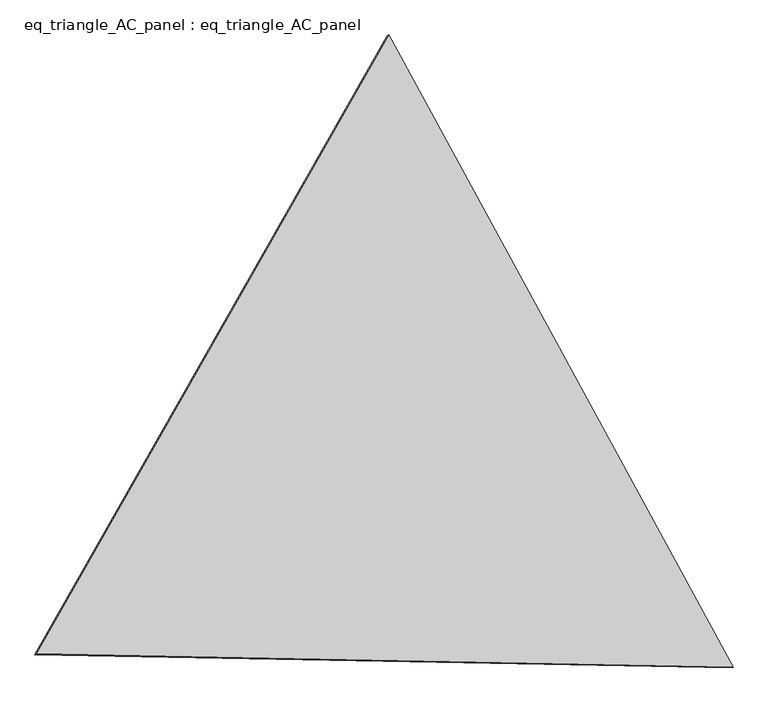
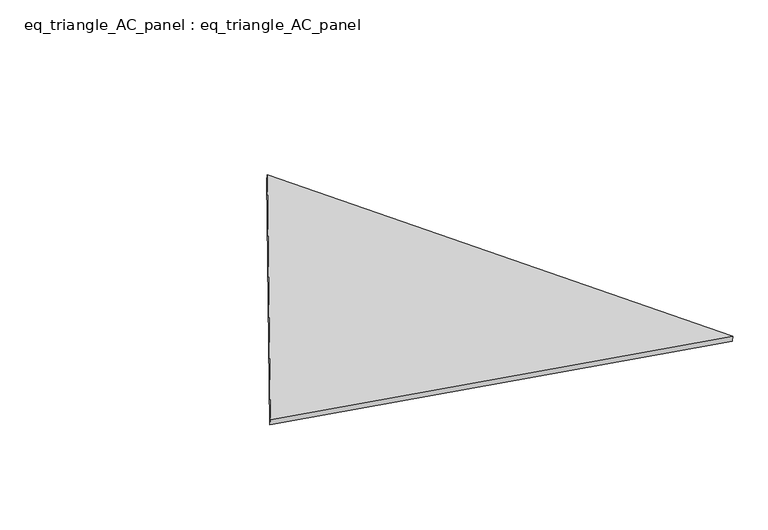
"""IFC4 building model written with IfcOpenShell, lengths in millimetres: proxy geometry, eq_triangle_AC_panel : eq_triangle_AC_panel."""

from ifc_helpers import new_model, si_unit, frame, origin, place, context, project, spatial, polyline, outline, extrude, source, transform, mapped, element, save


def eq_triangle_ac_panel_eq_triangle_ac_panel_375f5e55(model_context):
    return source(origin(), model_context, "Body", "SweptSolid", [
        extrude(outline(polyline([(-2091.2806317, 1173.1764347), (2032.8117098, 1173.1764346), (58.4689218, -2346.3528694), (-2091.2806317, 1173.1764347)])), frame((-6.3631761, 524.2531996, 46.6143561), z_axis=(0.14526328518058151, 0.08386570281802182, 0.9858321976225896), x_axis=(0.47857945251422934, -0.8780343203723999, 0.00417610815934263)), (0.0, 0.0, 1.0), 43.8306294),
    ])


if __name__ == "__main__":
    model = new_model("IFC4")
    model_context = context("Model", 3, world=origin())
    ifc_project = project(units=[si_unit("LENGTHUNIT", "METRE", prefix="MILLI")], contexts=[model_context])
    site = spatial("IfcSite", under=ifc_project)
    building = spatial("IfcBuilding", under=site)
    placement = place(None, origin())
    eq_triangle_ac_panel_eq_triangle_ac_panel_shape = eq_triangle_ac_panel_eq_triangle_ac_panel_375f5e55(model_context)
    element("IfcBuildingElementProxy", 1, Name="eq_triangle_AC_panel : eq_triangle_AC_panel", ObjectType="eq_triangle_AC_panel : eq_triangle_AC_panel", at=placement, inside=building, context=model_context, shape_type="MappedRepresentation", body=[
        mapped(eq_triangle_ac_panel_eq_triangle_ac_panel_shape, transform((0.0, 0.0, 0.0), x_axis=(1.0, 0.0, 0.0), y_axis=(0.0, 1.0, 0.0), z_axis=(0.0, 0.0, 1.0))),
    ])
    save(model, "model.ifc")
